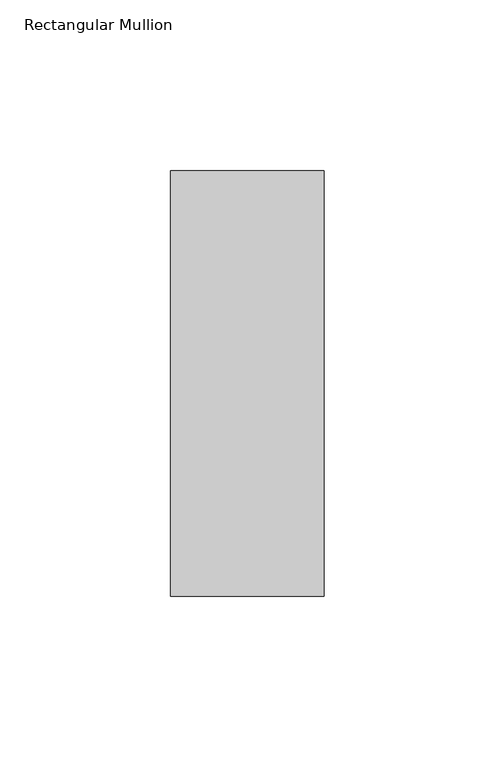
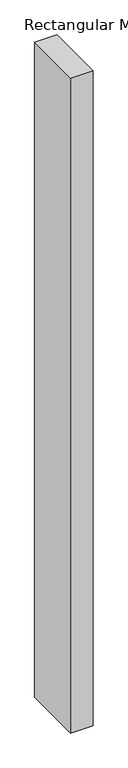
"""IFC4 building model written with IfcOpenShell, lengths in millimetres: member geometry, Rectangular Mullion."""

from ifc_helpers import new_model, si_unit, frame, origin, place, context, project, spatial, polyline, outline, extrude, source, transform, mapped, element, save


def rectangular_mullion_01c6ca88(model_context):
    return source(origin(), model_context, "Body", "SweptSolid", [
        extrude(outline(polyline([(22.5, 77.84375), (22.5, -46.84375), (-22.5, -46.84375), (-22.5, 77.84375), (22.5, 77.84375)])), frame((0.0, 0.0, -1387.1191406), z_axis=(0.0, 0.0, 1.0), x_axis=(1.0, 0.0, 0.0)), (0.0, 0.0, 1.0), 1387.1191406),
    ])


if __name__ == "__main__":
    model = new_model("IFC4")
    model_context = context("Model", 3, world=origin())
    ifc_project = project(units=[si_unit("LENGTHUNIT", "METRE", prefix="MILLI")], contexts=[model_context])
    site = spatial("IfcSite", under=ifc_project)
    building = spatial("IfcBuilding", under=site)
    placement = place(None, origin())
    rectangular_mullion_shape = rectangular_mullion_01c6ca88(model_context)
    element("IfcMember", 1, ObjectType="Rectangular Mullion", at=placement, inside=building, context=model_context, shape_type="MappedRepresentation", body=[
        mapped(rectangular_mullion_shape, transform((0.0, 0.0, 0.0), x_axis=(1.0, 0.0, 0.0), y_axis=(0.0, 1.0, 0.0), z_axis=(0.0, 0.0, 1.0))),
    ])
    save(model, "model.ifc")
